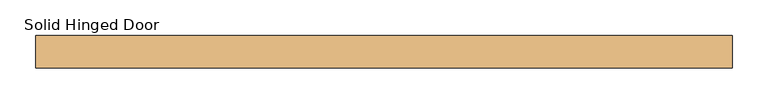
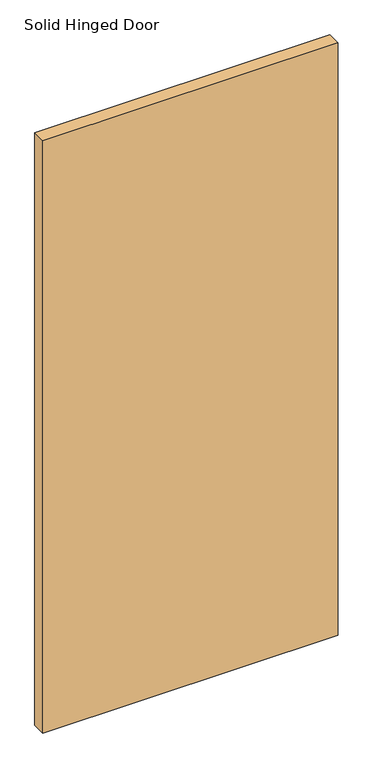
"""IFC4 building model written with IfcOpenShell, lengths in millimetres: door geometry, Solid Hinged Door."""

from ifc_helpers import new_model, si_unit, origin, place, context, project, spatial, faceted_brep, source, transform, mapped, element, save


def solid_hinged_door_000454e5(model_context):
    return source(origin(), model_context, "Body", "Brep", [
        faceted_brep([(490.4564326, 23.114, 12.7), (490.4564326, 7.1501, 12.7), (-484.1064326, 7.1501, 12.7), (-484.1064326, -7.1501, 12.7), (490.4564326, -7.1501, 12.7), (490.4564326, -23.114, 12.7), (-490.4564326, -23.114, 12.7), (-490.4564326, 23.114, 12.7), (490.4564326, -23.114, 2093.9635027), (490.4564326, -7.1501, 50.8), (490.4564326, 7.1501, 50.8), (490.4564326, 23.114, 2093.9635027), (-490.4564326, 23.114, 2093.9635027), (-490.4564326, -23.114, 2093.9635027), (-484.1064326, -7.1501, 50.8), (-484.1064326, 7.1501, 50.8)], [[[0, 1, 2, 3, 4, 5, 6, 7]], [[8, 5, 4, 9, 10, 1, 0, 11]], [[11, 0, 7, 12]], [[12, 7, 6, 13]], [[13, 6, 5, 8]], [[8, 11, 12, 13]], [[9, 4, 3, 14]], [[14, 3, 2, 15]], [[15, 2, 1, 10]], [[15, 10, 9, 14]]]),
    ])


if __name__ == "__main__":
    model = new_model("IFC4")
    model_context = context("Model", 3, world=origin())
    ifc_project = project(units=[si_unit("LENGTHUNIT", "METRE", prefix="MILLI")], contexts=[model_context])
    site = spatial("IfcSite", under=ifc_project)
    building = spatial("IfcBuilding", under=site)
    placement = place(None, origin())
    solid_hinged_door_shape = solid_hinged_door_000454e5(model_context)
    element("IfcDoor", 1, ObjectType="Solid Hinged Door", at=placement, inside=building, context=model_context, shape_type="MappedRepresentation", body=[
        mapped(solid_hinged_door_shape, transform((0.0, 0.0, 0.0), x_axis=(1.0, 0.0, 0.0), y_axis=(0.0, 1.0, 0.0), z_axis=(0.0, 0.0, 1.0))),
    ])
    save(model, "model.ifc")
